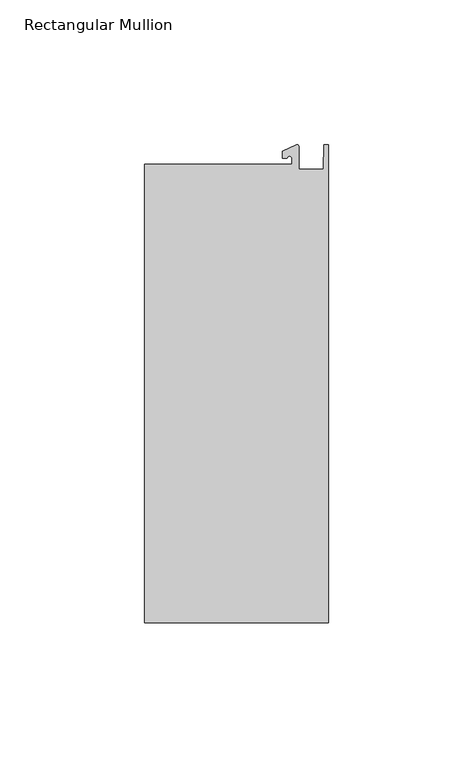
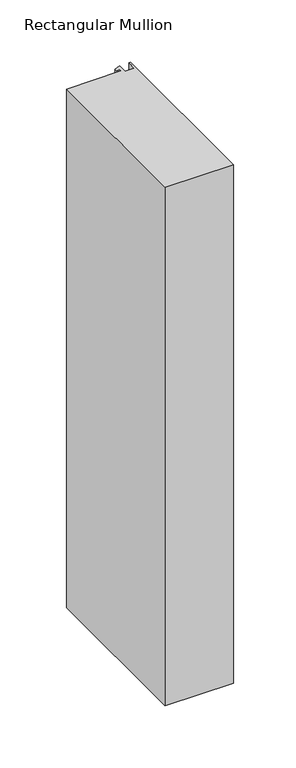
"""IFC4 building model written with IfcOpenShell, lengths in millimetres: member geometry, Rectangular Mullion."""

from ifc_helpers import new_model, si_unit, point, frame, frame_2d, origin, place, context, project, spatial, polyline, circle_curve, trimmed, segment, composite_curve, outline, extrude, source, transform, mapped, element, save


def rectangular_mullion_474b7a55(model_context):
    return source(origin(), model_context, "Body", "SweptSolid", [
        extrude(outline(composite_curve([segment(polyline([(-12.6173814, 25.5984375), (-12.6173814, 27.6780632)]), True, "CONTINUOUS"), segment(trimmed(circle_curve(frame_2d((-13.4111314, 27.6780632)), 0.79375), [point((-12.6173814, 27.6780632))], [point((-14.2048814, 27.6780632))], True, "CARTESIAN"), True, "CONTINUOUS"), segment(polyline([(-14.2048814, 27.6780632), (-15.7923814, 27.6780632), (-15.7923814, 30.0402625), (-10.9524715, 32.2971496)]), True, "CONTINUOUS"), segment(trimmed(circle_curve(frame_2d((-10.7377814, 31.8367452)), 0.508), [point((-10.9524715, 32.2971496))], [point((-10.2297814, 31.8367452))], False, "CARTESIAN"), True, "CONTINUOUS"), segment(polyline([(-10.2297814, 31.8367452), (-10.2297814, 23.9227662), (-1.7144124, 23.9227662), (-1.5658966, 32.288874), (0.0, 32.288874), (0.0, -132.822512), (-63.5, -132.822512), (-63.5, 25.5984375), (-12.6173814, 25.5984375)]), True, "CONTINUOUS")], self_intersect=False)), frame((0.0, 0.0, -508.0), z_axis=(0.0, 0.0, 1.0), x_axis=(1.0, 0.0, 0.0)), (0.0, 0.0, 1.0), 508.0),
    ])


if __name__ == "__main__":
    model = new_model("IFC4")
    model_context = context("Model", 3, world=origin())
    ifc_project = project(units=[si_unit("LENGTHUNIT", "METRE", prefix="MILLI")], contexts=[model_context])
    site = spatial("IfcSite", under=ifc_project)
    building = spatial("IfcBuilding", under=site)
    placement = place(None, origin())
    rectangular_mullion_shape = rectangular_mullion_474b7a55(model_context)
    element("IfcMember", 1, ObjectType="Rectangular Mullion", at=placement, inside=building, context=model_context, shape_type="MappedRepresentation", body=[
        mapped(rectangular_mullion_shape, transform((0.0, 0.0, 0.0), x_axis=(1.0, 0.0, 0.0), y_axis=(0.0, 1.0, 0.0), z_axis=(0.0, 0.0, 1.0))),
    ])
    save(model, "model.ifc")
